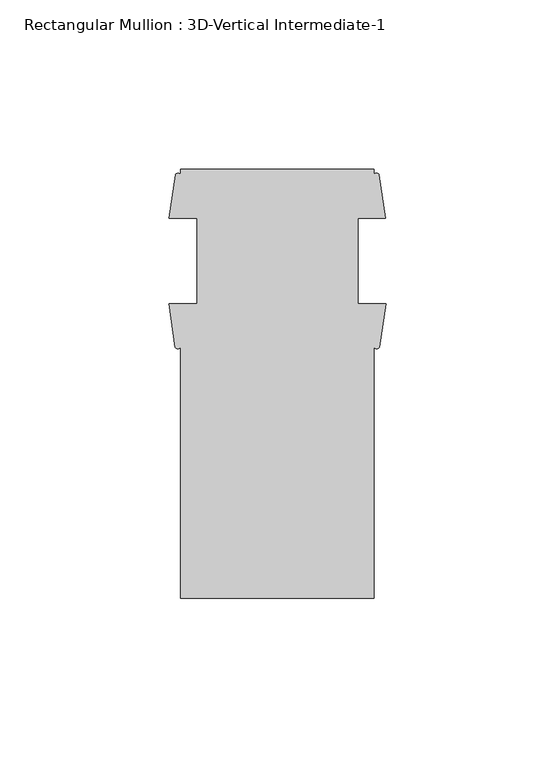
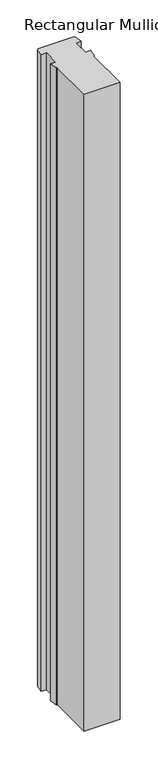
"""IFC4 building model written with IfcOpenShell, lengths in millimetres: member geometry, Rectangular Mullion : 3D-Vertical Intermediate-1."""

from ifc_helpers import new_model, si_unit, point, frame, frame_2d, origin, place, context, project, spatial, polyline, circle_curve, trimmed, segment, composite_curve, outline, extrude, source, transform, mapped, element, save


def rectangular_mullion_3d_vertical_intermediate_1_ad5585ce(model_context):
    return source(origin(), model_context, "Body", "SweptSolid", [
        extrude(outline(composite_curve([segment(polyline([(-28.575, -73.025), (-28.575, 1.2984222)]), True, "CONTINUOUS"), segment(trimmed(circle_curve(frame_2d((-29.4067022, 1.834513)), 0.9895059), [point((-28.575, 1.2984222))], [point((-30.2384044, 1.2984222))], False, "CARTESIAN"), True, "CONTINUOUS"), segment(polyline([(-30.2384044, 1.2984222), (-32.0945217, 14.071475), (-23.8125, 14.071475), (-23.8125, 39.471475), (-31.971, 39.471475), (-30.1608963, 52.2427625)]), True, "CONTINUOUS"), segment(trimmed(circle_curve(frame_2d((-29.3679481, 51.7698358)), 0.9232694), [point((-30.1608963, 52.2427625))], [point((-28.575, 52.2427625))], False, "CARTESIAN"), True, "CONTINUOUS"), segment(polyline([(-28.575, 52.2427625), (-28.575, 53.975), (28.575, 53.975), (28.575, 52.2427625)]), True, "CONTINUOUS"), segment(trimmed(circle_curve(frame_2d((29.3679481, 51.7864126)), 0.914889), [point((28.575, 52.2427625))], [point((30.1608963, 52.2427625))], False, "CARTESIAN"), True, "CONTINUOUS"), segment(polyline([(30.1608963, 52.2427625), (31.971, 39.471475), (23.8125, 39.471475), (23.8125, 14.071475), (32.0945217, 14.071475), (30.2384044, 1.2984222)]), True, "CONTINUOUS"), segment(trimmed(circle_curve(frame_2d((29.4067022, 1.8757809)), 1.0124582), [point((30.2384044, 1.2984222))], [point((28.575, 1.2984222))], False, "CARTESIAN"), True, "CONTINUOUS"), segment(polyline([(28.575, 1.2984222), (28.575, -73.025), (-28.575, -73.025)]), True, "CONTINUOUS")], self_intersect=False)), frame((0.0, 0.0, -1075.6358915), z_axis=(0.0, 0.0, 1.0), x_axis=(1.0, 0.0, 0.0)), (0.0, 0.0, 1.0), 1075.6358915),
    ])


if __name__ == "__main__":
    model = new_model("IFC4")
    model_context = context("Model", 3, world=origin())
    ifc_project = project(units=[si_unit("LENGTHUNIT", "METRE", prefix="MILLI")], contexts=[model_context])
    site = spatial("IfcSite", under=ifc_project)
    building = spatial("IfcBuilding", under=site)
    placement = place(None, origin())
    rectangular_mullion_3d_vertical_intermediate_1_shape = rectangular_mullion_3d_vertical_intermediate_1_ad5585ce(model_context)
    element("IfcMember", 1, ObjectType="Rectangular Mullion : 3D-Vertical Intermediate-1", at=placement, inside=building, context=model_context, shape_type="MappedRepresentation", body=[
        mapped(rectangular_mullion_3d_vertical_intermediate_1_shape, transform((0.0, 0.0, 0.0), x_axis=(1.0, 0.0, 0.0), y_axis=(0.0, 1.0, 0.0), z_axis=(0.0, 0.0, 1.0))),
    ])
    save(model, "model.ifc")
